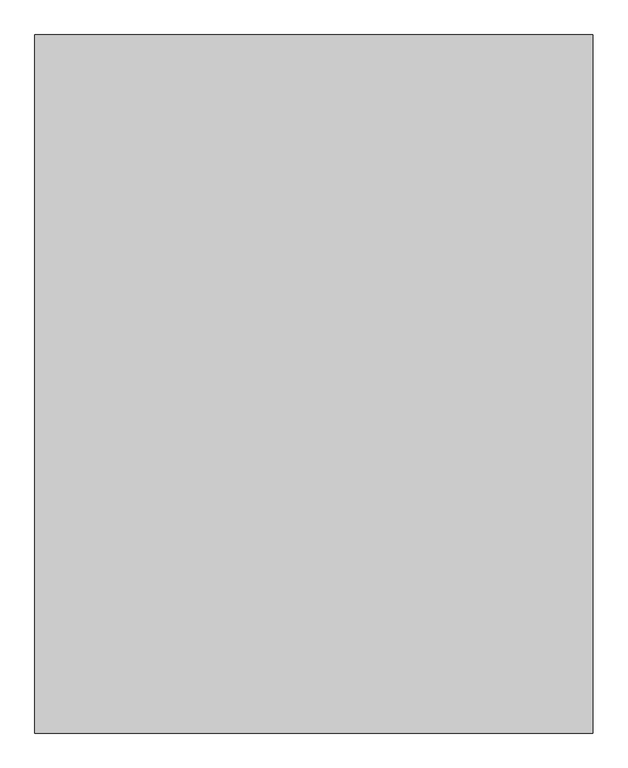
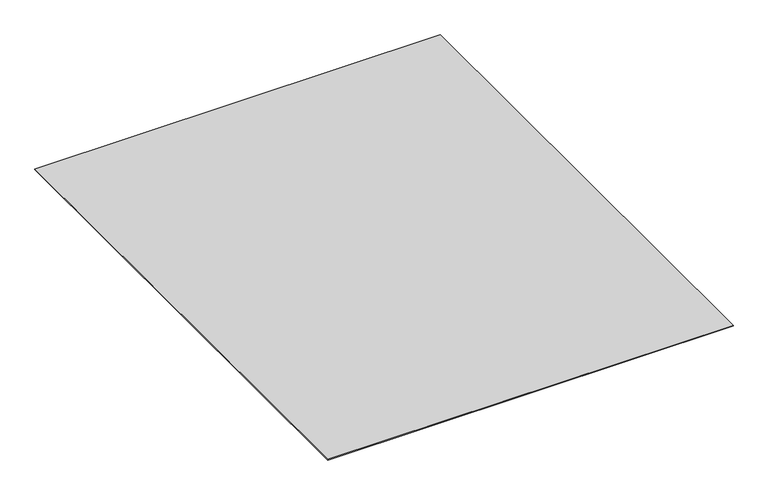
"""IFC4 building model written with IfcOpenShell, lengths in millimetres: proxy geometry."""

from ifc_helpers import new_model, si_unit, origin, origin_with_axes, place, context, project, spatial, polyline, outline, extrude, source, transform, mapped, element, save


def generic_models_605afaaf(model_context):
    return source(origin(), model_context, "Body", "SweptSolid", [
        extrude(outline(polyline([(6000.0, 7500.0), (6000.0, 0.0), (0.0, 0.0), (0.0, 7500.0), (6000.0, 7500.0)])), origin_with_axes(), (0.0, 0.0, 1.0), 10.0),
    ])


if __name__ == "__main__":
    model = new_model("IFC4")
    model_context = context("Model", 3, world=origin())
    ifc_project = project(units=[si_unit("LENGTHUNIT", "METRE", prefix="MILLI")], contexts=[model_context])
    site = spatial("IfcSite", under=ifc_project)
    building = spatial("IfcBuilding", under=site)
    placement = place(None, origin())
    generic_models_shape = generic_models_605afaaf(model_context)
    element("IfcBuildingElementProxy", 1, Name="Generic Models", at=placement, inside=building, context=model_context, shape_type="MappedRepresentation", body=[
        mapped(generic_models_shape, transform((0.0, 0.0, 0.0), x_axis=(1.0, 0.0, 0.0), y_axis=(0.0, 1.0, 0.0), z_axis=(0.0, 0.0, 1.0))),
    ])
    save(model, "model.ifc")
